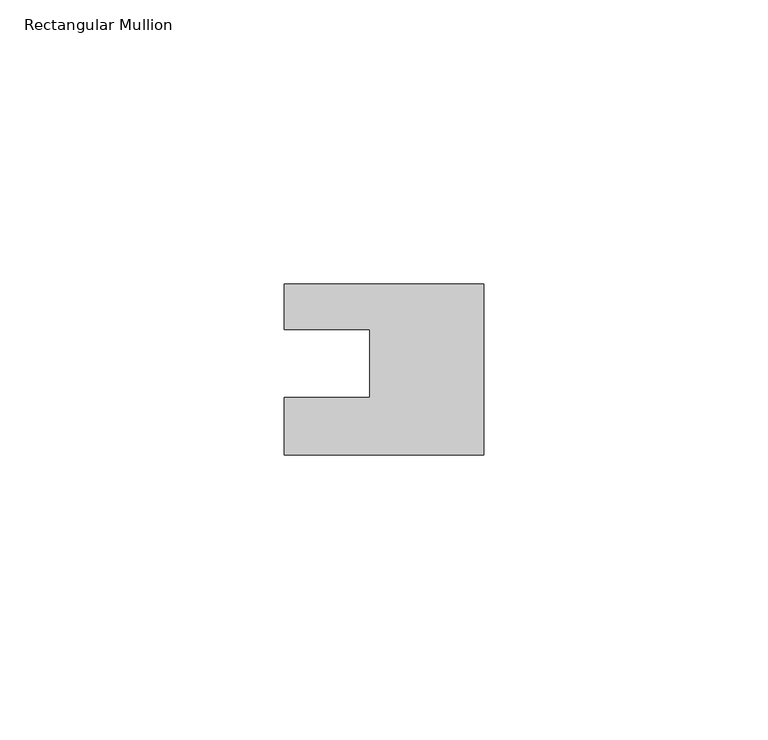
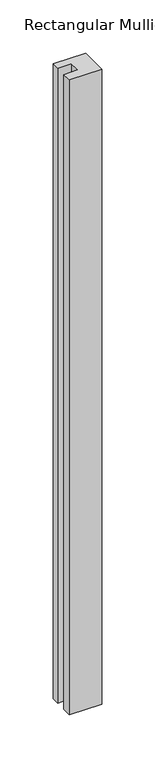
"""IFC4 building model written with IfcOpenShell, lengths in millimetres: member geometry, Rectangular Mullion."""

from ifc_helpers import new_model, si_unit, frame, origin, place, context, project, spatial, polyline, outline, extrude, source, transform, mapped, element, save


def rectangular_mullion_4c2ab004(model_context):
    return source(origin(), model_context, "Body", "SweptSolid", [
        extrude(outline(polyline([(0.0, 7.94), (0.0, -22.06), (-35.0, -22.06), (-35.0, -12.0), (-20.0, -12.0), (-20.0, 0.001), (-35.0, 0.001), (-35.0, 7.94), (0.0, 7.94)])), frame((0.0, 0.0, -727.0), z_axis=(0.0, 0.0, 1.0), x_axis=(1.0, 0.0, 0.0)), (0.0, 0.0, 1.0), 727.0),
    ])


if __name__ == "__main__":
    model = new_model("IFC4")
    model_context = context("Model", 3, world=origin())
    ifc_project = project(units=[si_unit("LENGTHUNIT", "METRE", prefix="MILLI")], contexts=[model_context])
    site = spatial("IfcSite", under=ifc_project)
    building = spatial("IfcBuilding", under=site)
    placement = place(None, origin())
    rectangular_mullion_shape = rectangular_mullion_4c2ab004(model_context)
    element("IfcMember", 1, ObjectType="Rectangular Mullion", at=placement, inside=building, context=model_context, shape_type="MappedRepresentation", body=[
        mapped(rectangular_mullion_shape, transform((0.0, 0.0, 0.0), x_axis=(1.0, 0.0, 0.0), y_axis=(0.0, 1.0, 0.0), z_axis=(0.0, 0.0, 1.0))),
    ])
    save(model, "model.ifc")
